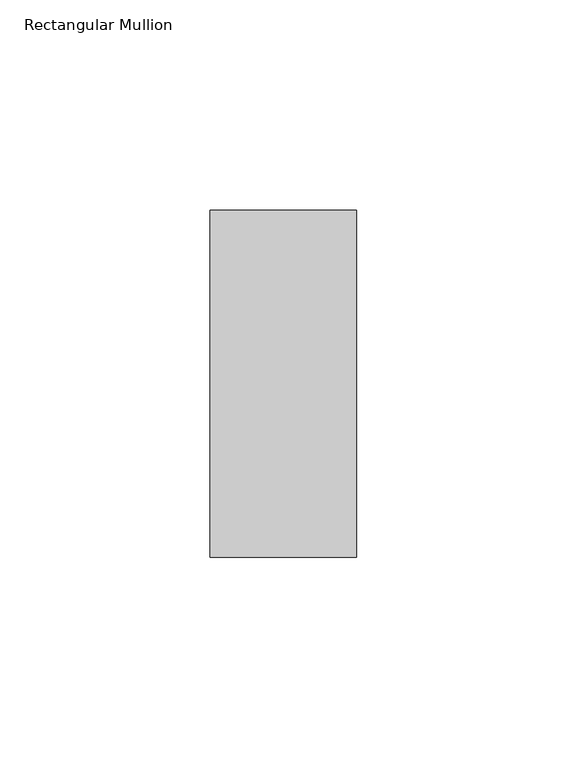
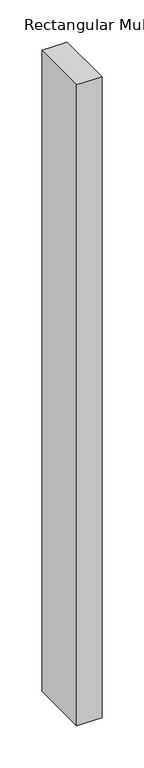
"""IFC4 building model written with IfcOpenShell, lengths in millimetres: member geometry, Rectangular Mullion."""

from ifc_helpers import new_model, si_unit, frame, origin, place, context, project, spatial, polyline, outline, extrude, source, transform, mapped, element, save


def rectangular_mullion_aaf787b3(model_context):
    return source(origin(), model_context, "Body", "SweptSolid", [
        extrude(outline(polyline([(-34.925, -73.025), (-34.925, 9.525), (0.0, 9.525), (0.0, -73.025), (-34.925, -73.025)])), frame((0.0, 0.0, -930.275), z_axis=(0.0, 0.0, 1.0), x_axis=(1.0, 0.0, 0.0)), (0.0, 0.0, 1.0), 930.275),
    ])


if __name__ == "__main__":
    model = new_model("IFC4")
    model_context = context("Model", 3, world=origin())
    ifc_project = project(units=[si_unit("LENGTHUNIT", "METRE", prefix="MILLI")], contexts=[model_context])
    site = spatial("IfcSite", under=ifc_project)
    building = spatial("IfcBuilding", under=site)
    placement = place(None, origin())
    rectangular_mullion_shape = rectangular_mullion_aaf787b3(model_context)
    element("IfcMember", 1, ObjectType="Rectangular Mullion", at=placement, inside=building, context=model_context, shape_type="MappedRepresentation", body=[
        mapped(rectangular_mullion_shape, transform((0.0, 0.0, 0.0), x_axis=(1.0, 0.0, 0.0), y_axis=(0.0, 1.0, 0.0), z_axis=(0.0, 0.0, 1.0))),
    ])
    save(model, "model.ifc")
